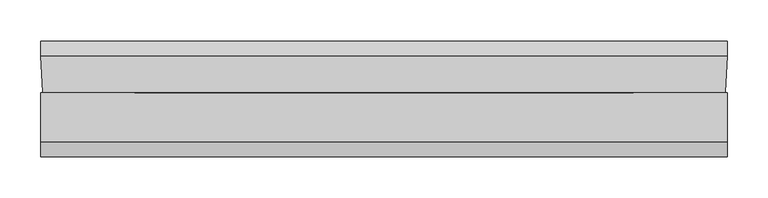
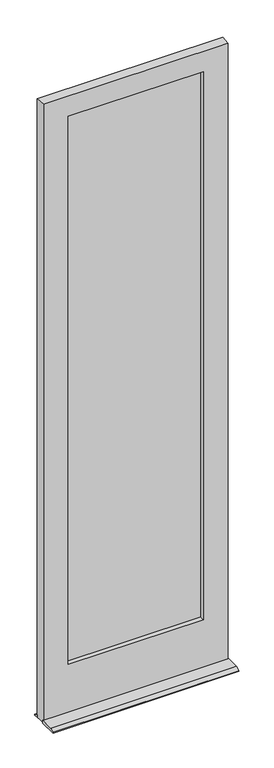
"""IFC4 building model written with IfcOpenShell, lengths in millimetres: plate geometry."""

from ifc_helpers import new_model, si_unit, frame, origin, place, context, project, spatial, polyline, outline, extrude, faceted_brep, source, transform, mapped, element, save


def plate_b64aa7d4(model_context):
    return source(origin(), model_context, "Body", "SolidModel", [
        extrude(outline(polyline([(-322.2440057, -16.3742688), (-322.2440057, -13.1992688), (322.2624637, -13.1992688), (322.2624637, -16.3742688), (-322.2440057, -16.3742688)])), frame((0.0, 0.0, 226.615625), z_axis=(0.0, 0.0, 1.0), x_axis=(1.0, 0.0, 0.0)), (0.0, 0.0, 1.0), 2663.428125),
        extrude(outline(polyline([(-322.2440057, -20.9383312), (322.2624637, -20.9383312), (322.2624637, -24.1133312), (-322.2440057, -24.1133312), (-322.2440057, -20.9383312)])), frame((0.0, 0.0, 226.615625), z_axis=(0.0, 0.0, 1.0), x_axis=(1.0, 0.0, 0.0)), (0.0, 0.0, 1.0), 2663.428125),
        faceted_brep([(423.0687863, -46.037564, 12.7), (423.0687863, -106.3618913, 12.7), (423.0687863, -125.4125, 3.1746956), (423.0687863, -125.4125, 0.0003044), (423.0687863, -46.037564, 0.0003044), (423.0687863, 17.4625, 0.0003044), (423.0687863, 17.4625, 3.1746956), (423.0687863, -1.587564, 12.6997276), (423.0687863, -1.587564, 0.0003044), (-423.0452447, -1.587564, 12.6997276), (-423.0452447, 17.4625, 3.1746956), (-423.0452447, 17.4625, 0.0003044), (-423.0452447, -1.587564, 0.0003044), (-423.0452447, -125.4125, 0.0003044), (-423.0452447, -125.4125, 3.1746956), (-423.0452447, -106.3618913, 12.7), (-423.0452447, -46.037564, 12.7), (-423.0452447, -46.037564, 0.0003044), (322.2624637, -24.1133312, 226.615625), (322.2624637, -13.1992688, 226.615625), (-322.2440057, -13.1992688, 226.615625), (-322.2440057, -24.1133312, 226.615625), (322.2624637, -24.1133313, 2890.04375), (-322.2440057, -24.1133313, 2890.04375), (307.1943125, -24.1133312, 241.2869956), (307.1943125, -24.1133313, 2874.9752), (-307.1685057, -24.1133313, 2874.9752), (-307.1685057, -24.1133312, 241.2869956), (307.1943125, -46.037564, 241.2869956), (-307.1685057, -46.037564, 241.2869956), (420.3001863, -46.037564, 12.7), (420.3001863, -46.037564, 2972.59375), (-420.2766447, -46.037564, 2972.59375), (-420.2766447, -46.037564, 12.7), (307.1943125, -46.037564, 2874.9752), (-307.1685057, -46.037564, 2874.9752), (-420.2766447, -46.037564, 0.0003044), (420.3001863, -46.037564, 0.0003044), (423.0687863, -1.587564, 2972.59375), (-423.0452447, -1.587564, 2972.59375), (302.41875, -1.587564, 246.0621956), (302.41875, -1.587564, 2870.2), (-302.41875, -1.587564, 2870.2), (-302.41875, -1.587564, 246.0621956), (302.41875, -13.1992688, 246.0621956), (-302.41875, -13.1992688, 246.0621956), (322.2624637, -13.1992688, 2890.04375), (-322.2440057, -13.1992688, 2890.04375), (302.41875, -13.1992688, 2870.2), (-302.41875, -13.1992688, 2870.2)], [[[0, 1, 2, 3, 4]], [[5, 6, 7, 8]], [[9, 10, 11, 12]], [[13, 14, 15, 16, 17]], [[18, 19, 20, 21]], [[22, 18, 21, 23], [24, 25, 26, 27]], [[28, 24, 27, 29]], [[30, 31, 32, 33], [34, 28, 29, 35]], [[1, 0, 30, 33, 16, 15]], [[2, 1, 15, 14]], [[3, 2, 14, 13]], [[3, 13, 17, 36, 12, 11, 5, 8, 37, 4]], [[6, 5, 11, 10]], [[7, 6, 10, 9]], [[38, 7, 9, 39], [40, 41, 42, 43]], [[44, 40, 43, 45]], [[19, 46, 47, 20], [48, 44, 45, 49]], [[35, 29, 27, 26]], [[21, 20, 47, 23]], [[49, 45, 43, 42]], [[40, 44, 48, 41]], [[19, 18, 22, 46]], [[24, 28, 34, 25]], [[41, 48, 49, 42]], [[46, 22, 23, 47]], [[25, 34, 35, 26]], [[32, 39, 9, 12, 36, 33]], [[30, 37, 8, 7, 38, 31]], [[31, 38, 39, 32]], [[37, 30, 0, 4]], [[33, 36, 17, 16]]]),
    ])


if __name__ == "__main__":
    model = new_model("IFC4")
    model_context = context("Model", 3, world=origin())
    ifc_project = project(units=[si_unit("LENGTHUNIT", "METRE", prefix="MILLI")], contexts=[model_context])
    site = spatial("IfcSite", under=ifc_project)
    building = spatial("IfcBuilding", under=site)
    placement = place(None, origin())
    plate_shape = plate_b64aa7d4(model_context)
    element("IfcPlate", 1, at=placement, inside=building, context=model_context, shape_type="MappedRepresentation", body=[
        mapped(plate_shape, transform((0.0, 0.0, 0.0), x_axis=(1.0, 0.0, 0.0), y_axis=(0.0, 1.0, 0.0), z_axis=(0.0, 0.0, 1.0))),
    ])
    save(model, "model.ifc")
